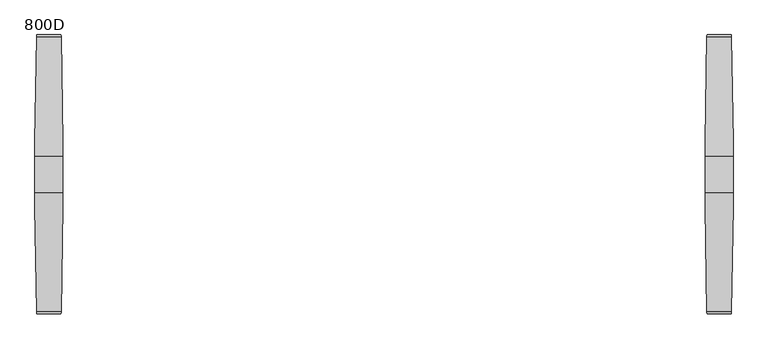
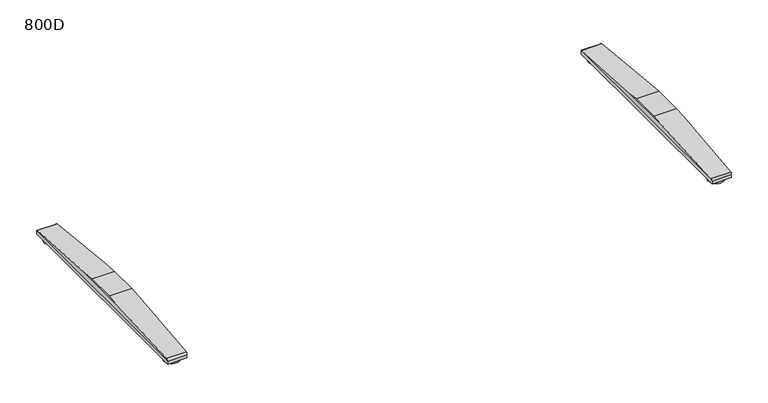
"""IFC4 building model written with IfcOpenShell, lengths in millimetres: furniture geometry, 800D."""

from ifc_helpers import new_model, si_unit, point, frame, frame_2d, origin, origin_with_axes, place, context, project, spatial, circle_curve, ellipse_curve, trimmed, segment, composite_curve, outline, extrude, source, transform, mapped, element, save
from ifc_brep_helpers import plane_surface, cylinder_surface, advanced_brep


def furniture_800d_99bf28d3(model_context):
    return source(origin(), model_context, "Body", "SolidModel", [
        advanced_brep(
        [(805.0040816, -45.9999756, 50.0000004), (805.0040816, 45.9999756, 50.0000004), (805.0040816, 82.452717, 47.0022421), (805.0040816, -82.4527181, 47.0022421), (875.0, 45.9999756, 50.0000004), (875.0, -45.9999756, 50.0000004), (875.0, -82.6981674, 46.9820571), (875.0, 82.6981662, 46.9820571), (870.6498787, 344.4917542, 25.4529794), (809.3582815, 344.4917542, 25.4529794), (809.3582815, -344.4917633, 25.4529794), (870.6498787, -344.4917633, 25.4529794), (810.0539142, -349.4372123, 22.0102408), (810.0539142, -350.0000027, 19.4731654), (869.954246, -350.0000027, 19.4731654), (869.954246, -349.4372123, 22.0102408), (810.0539142, -350.0000027, 10.0000005), (869.954246, -350.0000027, 10.0000005), (810.0539142, 349.9999913, 10.0000005), (869.954246, 349.9999913, 10.0000005), (810.0539142, 349.9999913, 19.4731679), (869.954246, 349.9999913, 19.4731679), (810.0539142, 349.4372019, 22.0102408), (869.954246, 349.4372019, 22.0102408)],
        [
            (0, 1),
            (1, 2),
            (2, 3),
            (3, 0),
            (4, 5),
            (5, 6),
            (6, 7),
            (7, 4),
            (1, 4),
            (7, 8),
            (8, 9),
            (9, 2),
            (0, 5),
            (3, 10),
            (10, 11),
            (11, 6),
            (10, 12, ellipse_curve(frame((810.5665505, -344.0000023, 19.4731654), z_axis=(0.9801908372046193, 0.0, 0.19805535251567288), x_axis=(-0.1980553525156731, 0.0, 0.9801908372046194)), 6.1212573, 6.0000004)),
            (12, 13, circle_curve(frame((810.0539142, -344.0000023, 19.4731654), z_axis=(1.0, 0.0, 0.0), x_axis=(0.0, 1.0, 0.0)), 6.0000004)),
            (13, 14),
            (14, 15, circle_curve(frame((869.954246, -344.0000023, 19.4731654), z_axis=(-1.0, 0.0, 0.0), x_axis=(0.0, 1.0, 0.0)), 6.0000004)),
            (15, 11, ellipse_curve(frame((869.4416097, -344.0000023, 19.4731654), z_axis=(-0.9801908372046148, 0.0, 0.19805535251569584), x_axis=(-0.19805535251569498, 0.0, -0.9801908372046149)), 6.1212573, 6.0000004)),
            (13, 16),
            (16, 17),
            (17, 14),
            (16, 18),
            (18, 19),
            (19, 17),
            (18, 20),
            (20, 21),
            (21, 19),
            (20, 22, circle_curve(frame((810.0539142, 343.9999934, 19.4731679), z_axis=(1.0, 0.0, 0.0), x_axis=(0.0, 1.0, 0.0)), 5.9999979)),
            (22, 9, ellipse_curve(frame((810.56655, 343.9999934, 19.4731679), z_axis=(0.9801908372046193, 0.0, 0.19805535251567288), x_axis=(-0.1980553525156731, 0.0, 0.9801908372046194)), 6.1212548, 5.9999979)),
            (8, 23, ellipse_curve(frame((869.4416102, 343.9999934, 19.4731679), z_axis=(-0.9801908372046148, 0.0, 0.19805535251569584), x_axis=(-0.19805535251569498, 0.0, -0.9801908372046149)), 6.1212548, 5.9999979)),
            (23, 21, circle_curve(frame((869.954246, 343.9999934, 19.4731679), z_axis=(-1.0, 0.0, 0.0), x_axis=(0.0, 1.0, 0.0)), 5.9999979)),
            (15, 23),
            (12, 22),
        ],
        [
            plane_surface(frame((805.0040816, 349.9999913, 19.4731679), z_axis=(-1.0, 0.0, 0.0), x_axis=(0.0, 0.0, -1.0))),
            plane_surface(frame((875.0, 349.9999913, 19.4731679), z_axis=(1.0, 0.0, 0.0), x_axis=(0.0, 0.0, 1.0))),
            plane_surface(frame((805.0040816, 45.9999756, 50.0000004), z_axis=(0.0, 0.08196016388479187, 0.996635606195152), x_axis=(1.0, 0.0, 0.0))),
            plane_surface(frame((805.0040816, -45.9999756, 50.0000004), z_axis=(0.0, 0.0, 1.0), x_axis=(1.0, 0.0, 0.0))),
            plane_surface(frame((805.0040816, -344.4917633, 25.4529794), z_axis=(0.0, -0.08196016140528317, 0.996635606399059), x_axis=(1.0, 0.0, 0.0))),
            cylinder_surface(frame((875.0, -344.0000023, 19.4731654), z_axis=(-1.0, 0.0, 0.0), x_axis=(0.0, 1.0, 0.0)), 6.0000004),
            plane_surface(frame((805.0040816, -350.0000027, 10.0000005), z_axis=(0.0, -1.0, 0.0), x_axis=(1.0, 0.0, 0.0))),
            plane_surface(frame((805.0040816, 349.9999913, 10.0000005), z_axis=(0.0, 0.0, -1.0), x_axis=(1.0, 0.0, 0.0))),
            plane_surface(frame((805.0040816, 349.9999913, 19.4731679), z_axis=(0.0, 1.0, 0.0), x_axis=(1.0, 0.0, 0.0))),
            cylinder_surface(frame((875.0, 343.9999934, 19.4731679), z_axis=(-1.0, 0.0, 0.0), x_axis=(0.0, 1.0, 0.0)), 5.9999979),
            plane_surface(frame((875.0, -350.0000027, 46.9820571), z_axis=(0.9801908372046148, 0.0, -0.19805535251569584), x_axis=(0.0, 1.0, 0.0))),
            plane_surface(frame((869.954246, -350.0000027, 22.0102408), z_axis=(1.0, 0.0, 0.0), x_axis=(0.0, 1.0, 0.0))),
            plane_surface(frame((810.0539142, -350.0000027, 10.0000005), z_axis=(-1.0, 0.0, 0.0), x_axis=(0.0, 1.0, 0.0))),
            plane_surface(frame((810.0539142, -350.0000027, 22.0102408), z_axis=(-0.9801908372046193, 0.0, -0.19805535251567288), x_axis=(0.0, 1.0, 0.0))),
        ],
        [
            (0, [[1, 2, 3, 4]]),
            (1, [[5, 6, 7, 8]]),
            (2, [[9, -8, 10, 11, 12, -2]]),
            (3, [[-1, 13, -5, -9]]),
            (4, [[-13, -4, 14, 15, 16, -6]]),
            (5, [[-15, 17, 18, 19, 20, 21]]),
            (6, [[-19, 22, 23, 24]]),
            (7, [[-23, 25, 26, 27]]),
            (8, [[-26, 28, 29, 30]]),
            (9, [[-29, 31, 32, -11, 33, 34]]),
            (10, [[35, -33, -10, -7, -16, -21]]),
            (11, [[-35, -20, -24, -27, -30, -34]]),
            (12, [[36, -31, -28, -25, -22, -18]]),
            (13, [[-36, -17, -14, -3, -12, -32]]),
        ],
    ),
        extrude(outline(composite_curve([segment(trimmed(circle_curve(frame_2d((840.0020408, 319.5181605)), 25.0), [point((865.0020408, 319.5181605))], [point((815.0020408, 319.5181605))], False, "CARTESIAN"), True, "CONTINUOUS"), segment(trimmed(circle_curve(frame_2d((840.0020408, 319.5181605)), 25.0), [point((815.0020408, 319.5181605))], [point((865.0020408, 319.5181605))], False, "CARTESIAN"), True, "CONTINUOUS")], self_intersect=False)), origin_with_axes(), (0.0, 0.0, 1.0), 10.0000005),
        extrude(outline(composite_curve([segment(trimmed(circle_curve(frame_2d((840.0020408, -319.5181605)), 25.0), [point((865.0020408, -319.5181605))], [point((815.0020408, -319.5181605))], False, "CARTESIAN"), True, "CONTINUOUS"), segment(trimmed(circle_curve(frame_2d((840.0020408, -319.5181605)), 25.0), [point((815.0020408, -319.5181605))], [point((865.0020408, -319.5181605))], False, "CARTESIAN"), True, "CONTINUOUS")], self_intersect=False)), origin_with_axes(), (0.0, 0.0, 1.0), 10.0000005),
        advanced_brep(
        [(-805.0040816, 45.9999756, 50.0000004), (-805.0040816, -45.9999756, 50.0000004), (-805.0040816, -82.4527181, 47.0022421), (-805.0040816, 82.452717, 47.0022421), (-875.0, -45.9999756, 50.0000004), (-875.0, 45.9999756, 50.0000004), (-875.0, 82.6981662, 46.9820571), (-875.0, -82.6981674, 46.9820571), (-809.3582815, 344.4917542, 25.4529794), (-870.6498787, 344.4917542, 25.4529794), (-870.6498787, -344.4917633, 25.4529794), (-809.3582815, -344.4917633, 25.4529794), (-869.954246, -349.4372123, 22.0102408), (-869.954246, -350.0000027, 19.4731654), (-810.0539142, -350.0000027, 19.4731654), (-810.0539142, -349.4372123, 22.0102408), (-869.954246, -350.0000027, 10.0000005), (-810.0539142, -350.0000027, 10.0000005), (-869.954246, 349.9999913, 10.0000005), (-810.0539142, 349.9999913, 10.0000005), (-869.954246, 349.9999913, 19.4731679), (-810.0539142, 349.9999913, 19.4731679), (-810.0539142, 349.4372019, 22.0102408), (-869.954246, 349.4372019, 22.0102408)],
        [
            (0, 1),
            (1, 2),
            (2, 3),
            (3, 0),
            (4, 5),
            (5, 6),
            (6, 7),
            (7, 4),
            (5, 0),
            (3, 8),
            (8, 9),
            (9, 6),
            (4, 1),
            (7, 10),
            (10, 11),
            (11, 2),
            (10, 12, ellipse_curve(frame((-869.4416097, -344.0000023, 19.4731654), z_axis=(0.980190837204615, 0.0, 0.19805535251569462), x_axis=(0.19805535251569453, 0.0, -0.980190837204615)), 6.1212573, 6.0000004)),
            (12, 13, circle_curve(frame((-869.954246, -344.0000023, 19.4731654), z_axis=(1.0, 0.0, 0.0), x_axis=(0.0, -1.0, 0.0)), 6.0000004)),
            (13, 14),
            (14, 15, circle_curve(frame((-810.0539142, -344.0000023, 19.4731654), z_axis=(-1.0, 0.0, 0.0), x_axis=(0.0, -1.0, 0.0)), 6.0000004)),
            (15, 11, ellipse_curve(frame((-810.5665505, -344.0000023, 19.4731654), z_axis=(-0.9801908372046171, 0.0, 0.1980553525156839), x_axis=(0.1980553525156839, 0.0, 0.9801908372046171)), 6.1212573, 6.0000004)),
            (13, 16),
            (16, 17),
            (17, 14),
            (16, 18),
            (18, 19),
            (19, 17),
            (18, 20),
            (20, 21),
            (21, 19),
            (8, 22, ellipse_curve(frame((-810.56655, 343.9999934, 19.4731679), z_axis=(-0.9801908372046171, 0.0, 0.1980553525156839), x_axis=(0.1980553525156839, 0.0, 0.9801908372046171)), 6.1212548, 5.9999979)),
            (22, 21, circle_curve(frame((-810.0539142, 343.9999934, 19.4731679), z_axis=(-1.0, 0.0, 0.0), x_axis=(0.0, -1.0, 0.0)), 5.9999979)),
            (20, 23, circle_curve(frame((-869.954246, 343.9999934, 19.4731679), z_axis=(1.0, 0.0, 0.0), x_axis=(0.0, -1.0, 0.0)), 5.9999979)),
            (23, 9, ellipse_curve(frame((-869.4416102, 343.9999934, 19.4731679), z_axis=(0.980190837204615, 0.0, 0.19805535251569462), x_axis=(0.19805535251569453, 0.0, -0.980190837204615)), 6.1212548, 5.9999979)),
            (23, 12),
            (22, 15),
        ],
        [
            plane_surface(frame((-805.0040816, 46.2454694, 49.9798118), z_axis=(1.0, 0.0, 0.0), x_axis=(0.0, -0.996635606195152, 0.08196016388479188))),
            plane_surface(frame((-875.0, 46.2454694, 49.9798118), z_axis=(-1.0, 0.0, 0.0), x_axis=(0.0, 0.996635606195152, -0.08196016388479188))),
            plane_surface(frame((-805.0040816, 344.4917542, 25.4529794), z_axis=(0.0, 0.08196016388479188, 0.996635606195152), x_axis=(-1.0, 0.0, 0.0))),
            plane_surface(frame((-805.0040816, 45.9999756, 50.0000004), z_axis=(0.0, 0.0, 1.0), x_axis=(-1.0, 0.0, 0.0))),
            plane_surface(frame((-805.0040816, -45.9999756, 50.0000004), z_axis=(0.0, -0.0819601614052832, 0.996635606399059), x_axis=(-1.0, 0.0, 0.0))),
            cylinder_surface(frame((-875.0, -344.0000023, 19.4731654), z_axis=(1.0, 0.0, 0.0), x_axis=(0.0, -1.0, 0.0)), 6.0000004),
            plane_surface(frame((-805.0040816, -350.0000027, 19.4731654), z_axis=(0.0, -1.0, 0.0), x_axis=(-1.0, 0.0, 0.0))),
            plane_surface(frame((-805.0040816, -350.0000027, 10.0000005), z_axis=(0.0, 0.0, -1.0), x_axis=(-1.0, 0.0, 0.0))),
            plane_surface(frame((-805.0040816, 349.9999913, 10.0000005), z_axis=(0.0, 1.0, 0.0), x_axis=(-1.0, 0.0, 0.0))),
            cylinder_surface(frame((-875.0, 343.9999934, 19.4731679), z_axis=(1.0, 0.0, 0.0), x_axis=(0.0, -1.0, 0.0)), 5.9999979),
            plane_surface(frame((-869.954246, -350.0000027, 22.0102408), z_axis=(-0.980190837204615, 0.0, -0.19805535251569462), x_axis=(0.0, 1.0, 0.0))),
            plane_surface(frame((-869.954246, -350.0000027, 10.0000005), z_axis=(-1.0, 0.0, 0.0), x_axis=(0.0, 1.0, 0.0))),
            plane_surface(frame((-810.0539142, -350.0000027, 22.0102408), z_axis=(1.0, 0.0, 0.0), x_axis=(0.0, 1.0, 0.0))),
            plane_surface(frame((-805.0040816, -350.0000027, 47.0022421), z_axis=(0.9801908372046171, 0.0, -0.1980553525156839), x_axis=(0.0, 1.0, 0.0))),
        ],
        [
            (0, [[1, 2, 3, 4]]),
            (1, [[5, 6, 7, 8]]),
            (2, [[9, -4, 10, 11, 12, -6]]),
            (3, [[-1, -9, -5, 13]]),
            (4, [[-13, -8, 14, 15, 16, -2]]),
            (5, [[-15, 17, 18, 19, 20, 21]]),
            (6, [[-19, 22, 23, 24]]),
            (7, [[-23, 25, 26, 27]]),
            (8, [[-26, 28, 29, 30]]),
            (9, [[-11, 31, 32, -29, 33, 34]]),
            (10, [[35, -17, -14, -7, -12, -34]]),
            (11, [[-35, -33, -28, -25, -22, -18]]),
            (12, [[36, -20, -24, -27, -30, -32]]),
            (13, [[-36, -31, -10, -3, -16, -21]]),
        ],
    ),
        extrude(outline(composite_curve([segment(trimmed(circle_curve(frame_2d((-840.0020408, 319.5181605)), 25.0), [point((-865.0020408, 319.5181605))], [point((-815.0020408, 319.5181605))], False, "CARTESIAN"), True, "CONTINUOUS"), segment(trimmed(circle_curve(frame_2d((-840.0020408, 319.5181605)), 25.0), [point((-815.0020408, 319.5181605))], [point((-865.0020408, 319.5181605))], False, "CARTESIAN"), True, "CONTINUOUS")], self_intersect=False)), origin_with_axes(), (0.0, 0.0, 1.0), 10.0000005),
        extrude(outline(composite_curve([segment(trimmed(circle_curve(frame_2d((-840.0020408, -319.5181605)), 25.0), [point((-865.0020408, -319.5181605))], [point((-815.0020408, -319.5181605))], False, "CARTESIAN"), True, "CONTINUOUS"), segment(trimmed(circle_curve(frame_2d((-840.0020408, -319.5181605)), 25.0), [point((-815.0020408, -319.5181605))], [point((-865.0020408, -319.5181605))], False, "CARTESIAN"), True, "CONTINUOUS")], self_intersect=False)), origin_with_axes(), (0.0, 0.0, 1.0), 10.0000005),
    ])


if __name__ == "__main__":
    model = new_model("IFC4")
    model_context = context("Model", 3, world=origin())
    ifc_project = project(units=[si_unit("LENGTHUNIT", "METRE", prefix="MILLI")], contexts=[model_context])
    site = spatial("IfcSite", under=ifc_project)
    building = spatial("IfcBuilding", under=site)
    placement = place(None, origin())
    furniture_800d_shape = furniture_800d_99bf28d3(model_context)
    element("IfcFurniture", 1, ObjectType="800D", at=placement, inside=building, context=model_context, shape_type="MappedRepresentation", body=[
        mapped(furniture_800d_shape, transform((0.0, 0.0, 0.0), x_axis=(1.0, 0.0, 0.0), y_axis=(0.0, 1.0, 0.0), z_axis=(0.0, 0.0, 1.0))),
    ])
    save(model, "model.ifc")
